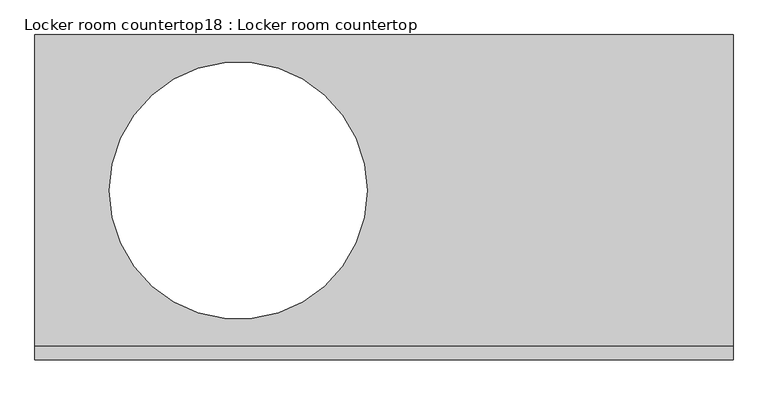
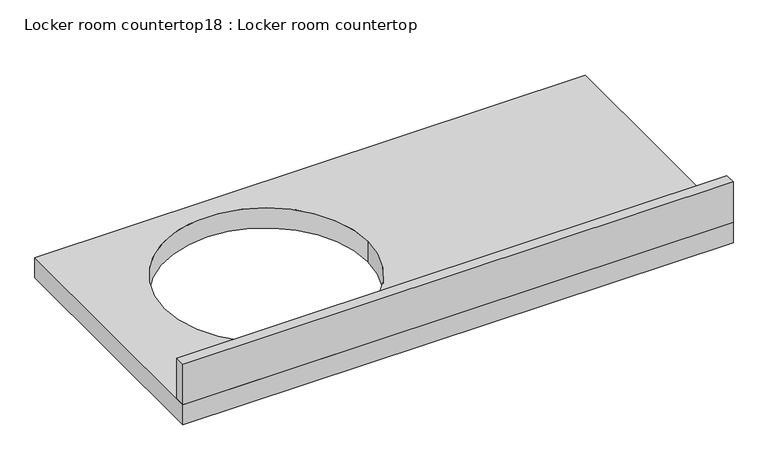
"""IFC4 building model written with IfcOpenShell, lengths in millimetres: furniture geometry, Locker room countertop18 : Locker room countertop."""

from ifc_helpers import new_model, si_unit, point, frame, frame_2d, origin, place, context, project, spatial, polyline, circle_curve, trimmed, segment, composite_curve, outline, extrude, source, transform, mapped, element, save


def locker_room_countertop18_locker_room_countertop_8d80361b(model_context):
    return source(origin(), model_context, "Body", "SweptSolid", [
        extrude(outline(polyline([(163886.9379676, -348003.6205017), (165195.0379676, -348003.6205017), (165195.0379676, -348029.0205017), (163886.9379676, -348029.0205017), (163886.9379676, -348003.6205017)])), frame((0.0, 0.0, 914.4), z_axis=(0.0, 0.0, 1.0), x_axis=(1.0, 0.0, 0.0)), (0.0, 0.0, 1.0), 101.6),
        extrude(outline(polyline([(163886.9379676, -347419.4205017), (165195.0379676, -347419.4205017), (165195.0379676, -348029.0205017), (163886.9379676, -348029.0205017), (163886.9379676, -347419.4205017)]), holes=[composite_curve([segment(trimmed(circle_curve(frame_2d((164267.9379676, -347711.5205017)), 241.3), [point((164026.6379676, -347711.5205017))], [point((164509.2379676, -347711.5205017))], True, "CARTESIAN"), True, "CONTINUOUS"), segment(trimmed(circle_curve(frame_2d((164267.9379676, -347711.5205017)), 241.3), [point((164509.2379676, -347711.5205017))], [point((164026.6379676, -347711.5205017))], True, "CARTESIAN"), True, "CONTINUOUS")], self_intersect=False)]), frame((0.0, 0.0, 863.6), z_axis=(0.0, 0.0, 1.0), x_axis=(1.0, 0.0, 0.0)), (0.0, 0.0, 1.0), 50.8),
    ])


if __name__ == "__main__":
    model = new_model("IFC4")
    model_context = context("Model", 3, world=origin())
    ifc_project = project(units=[si_unit("LENGTHUNIT", "METRE", prefix="MILLI")], contexts=[model_context])
    site = spatial("IfcSite", under=ifc_project)
    building = spatial("IfcBuilding", under=site)
    placement = place(None, origin())
    locker_room_countertop18_locker_room_countertop_shape = locker_room_countertop18_locker_room_countertop_8d80361b(model_context)
    element("IfcFurniture", 1, ObjectType="Locker room countertop18 : Locker room countertop", at=placement, inside=building, context=model_context, shape_type="MappedRepresentation", body=[
        mapped(locker_room_countertop18_locker_room_countertop_shape, transform((0.0, 0.0, 0.0), x_axis=(1.0, 0.0, 0.0), y_axis=(0.0, 1.0, 0.0), z_axis=(0.0, 0.0, 1.0))),
    ])
    save(model, "model.ifc")
